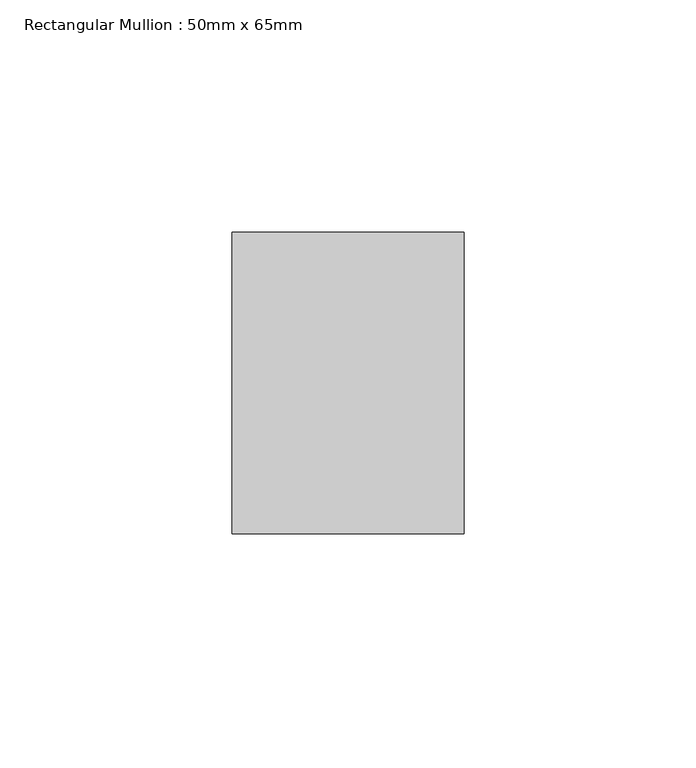
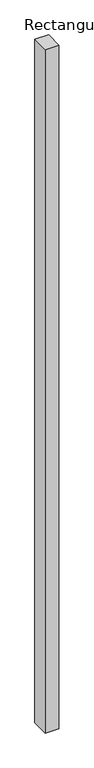
"""IFC4 building model written with IfcOpenShell, lengths in millimetres: member geometry, Rectangular Mullion : 50mm x 65mm."""

from ifc_helpers import new_model, si_unit, frame, origin, place, context, project, spatial, polyline, outline, extrude, source, transform, mapped, element, save


def rectangular_mullion_50mm_x_65mm_76ed4abb(model_context):
    return source(origin(), model_context, "Body", "SweptSolid", [
        extrude(outline(polyline([(25.0, 32.5), (25.0, -32.5), (-25.0, -32.5), (-25.0, 32.5), (25.0, 32.5)])), frame((0.0, 0.0, -2625.0747936), z_axis=(0.0, 0.0, 1.0), x_axis=(1.0, 0.0, 0.0)), (0.0, 0.0, 1.0), 2625.0747936),
    ])


if __name__ == "__main__":
    model = new_model("IFC4")
    model_context = context("Model", 3, world=origin())
    ifc_project = project(units=[si_unit("LENGTHUNIT", "METRE", prefix="MILLI")], contexts=[model_context])
    site = spatial("IfcSite", under=ifc_project)
    building = spatial("IfcBuilding", under=site)
    placement = place(None, origin())
    rectangular_mullion_50mm_x_65mm_shape = rectangular_mullion_50mm_x_65mm_76ed4abb(model_context)
    element("IfcMember", 1, ObjectType="Rectangular Mullion : 50mm x 65mm", at=placement, inside=building, context=model_context, shape_type="MappedRepresentation", body=[
        mapped(rectangular_mullion_50mm_x_65mm_shape, transform((0.0, 0.0, 0.0), x_axis=(1.0, 0.0, 0.0), y_axis=(0.0, 1.0, 0.0), z_axis=(0.0, 0.0, 1.0))),
    ])
    save(model, "model.ifc")
